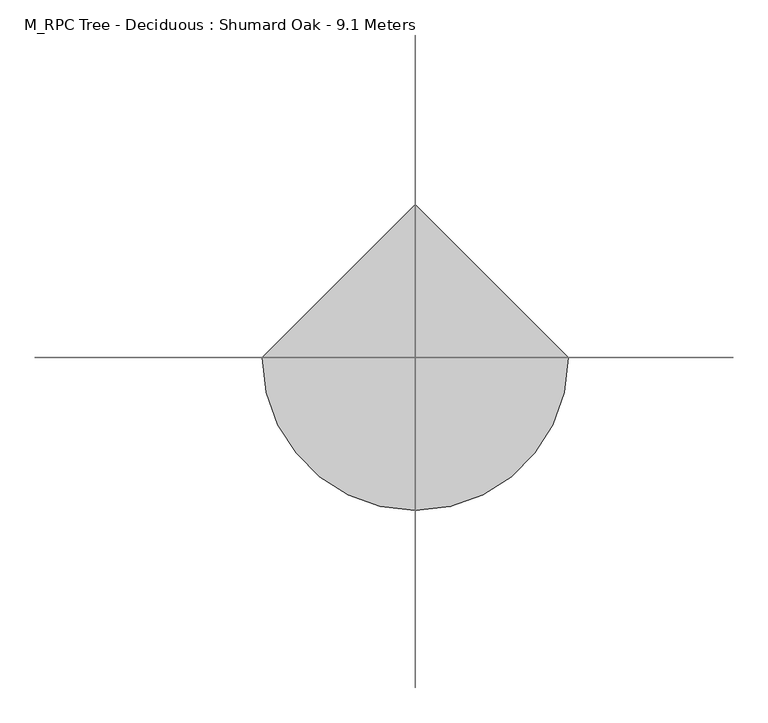
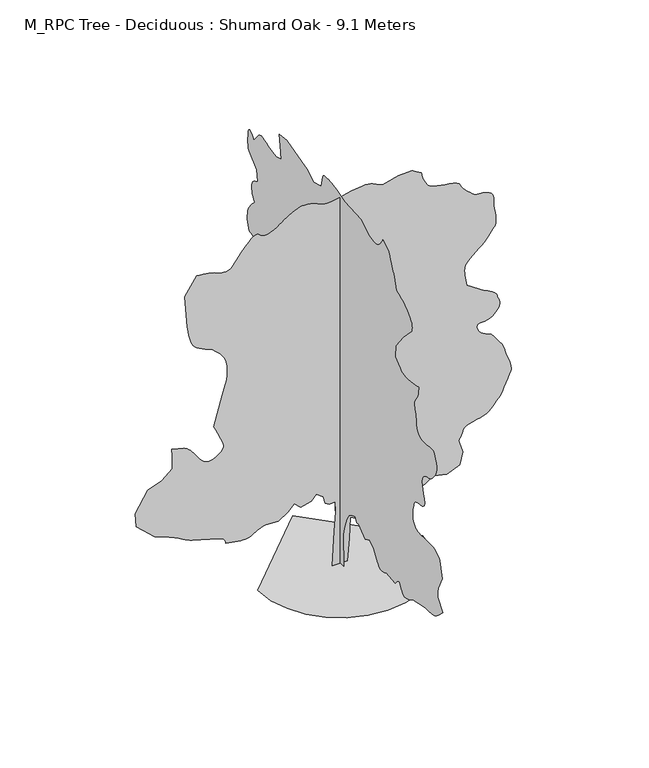
"""IFC4 building model written with IfcOpenShell, lengths in millimetres: geographic element geometry, M_RPC Tree - Deciduous : Shumard Oak - 9.1 Meters."""

from ifc_helpers import new_model, si_unit, origin, place, context, project, spatial, triangles, source, transform, mapped, element, save


def m_rpc_tree_deciduous_shumard_oak_9_1_meters_5c09a096(model_context):
    return source(origin(), model_context, "Body", "Tessellation", [
        triangles([(-0.0016876, 163.832478, 0.0085608), (-0.0016876, -150.8808976, 0.0085608), (-0.0016876, -123.5141451, 779.9515205), (-0.0016876, -178.2471505, 1012.5653744), (-0.0016876, -260.3461545, 1231.4963425), (-0.0016876, -356.128771, 1382.0105564), (-0.0016876, -465.5942914, 1450.4274559), (-0.0016876, -602.4255469, 1505.1588535), (-0.0016876, -657.1595243, 1382.0105564), (-0.0016876, -752.9421953, 1409.3763279), (-0.0016876, -862.4076794, 1299.9107712), (-0.0016876, -1012.9218206, 1204.1281002), (-0.0016876, -1190.8042042, 1286.2278854), (-0.0016876, -1355.0011585, 1176.7624014), (-0.0016876, -1464.4667152, 985.1971321), (-0.0016876, -1490.95536, 947.379019), (-0.0016876, -1518.0429508, 911.3556364), (-0.0016876, -1546.3262535, 878.9241858), (-0.0016876, -1576.4068302, 851.8769268), (-0.0016876, -1608.8788307, 832.0111336), (-0.0016876, -1644.3435265, 821.1189205), (-0.0016876, -1683.3976833, 821.0001051), (-0.0016876, -1720.8568794, 827.6608177), (-0.0016876, -1751.8549873, 835.7598146), (-0.0016876, -1777.4640347, 845.0544508), (-0.0016876, -1798.7681122, 855.307168), (-0.0016876, -1816.8392475, 866.2777193), (-0.0016876, -1832.7565899, 877.7285465), (-0.0016876, -1847.5972538, 889.4144611), (-0.0016876, -2203.3595501, 848.3658766), (-0.0016876, -2238.4248516, 888.8583904), (-0.0016876, -2272.772319, 925.9965305), (-0.0016876, -2305.6839729, 956.4360243), (-0.0016876, -2336.4419792, 976.8200272), (-0.0016876, -2364.326033, 983.8017958), (-0.0016876, -2388.6204803, 974.0293545), (-0.0016876, -2408.6076324, 944.1484749), (-0.0016876, -2428.6731228, 901.1838009), (-0.0016876, -2453.5264023, 856.783386), (-0.0016876, -2482.9269333, 814.5366188), (-0.0016876, -2516.6373756, 778.0354311), (-0.0016876, -2554.4225693, 750.8694294), (-0.0016876, -2596.0299133, 736.6279295), (-0.0016876, -2641.2265732, 738.9003925), (-0.0016876, -2686.5496788, 752.2242886), (-0.0016876, -2728.9909836, 768.4198116), (-0.0016876, -2769.0309814, 787.0116274), (-0.0016876, -2807.1751648, 807.5169165), (-0.0016876, -2843.8787384, 829.4580917), (-0.0016876, -2879.6216148, 852.3547319), (-0.0016876, -2914.8839973, 875.7316481), (-0.0016876, -3407.4725349, 971.5142464), (-0.0016876, -3468.9228539, 971.6356052), (-0.0016876, -3529.5136322, 972.4722548), (-0.0016876, -3588.4361984, 974.7472612), (-0.0016876, -3644.831012, 979.1734446), (-0.0016876, -3697.8891106, 986.4761965), (-0.0016876, -3746.7762428, 997.3658661), (-0.0016876, -3790.6081604, 1012.5653744), (-0.0016876, -3832.8471519, 1034.5444107), (-0.0016876, -3877.2604294, 1064.4252903), (-0.0016876, -3923.4427849, 1100.8885443), (-0.0016876, -3971.0916206, 1142.6146311), (-0.0016876, -4019.8017288, 1188.2915668), (-0.0016876, -4069.2199333, 1236.6025715), (-0.0016876, -4119.0171844, 1286.2278854), (-0.0016876, -3927.4367271, 1505.1588535), (-0.0016876, -3921.7492836, 1546.169577), (-0.0016876, -3916.9969574, 1586.9401989), (-0.0016876, -3914.1660255, 1627.2304722), (-0.0016876, -3914.1913147, 1666.8053822), (-0.0016876, -3918.0588112, 1705.4197403), (-0.0016876, -3926.7289215, 1742.8410027), (-0.0016876, -3941.1373444, 1778.8239807), (-0.0016876, -4091.6412392, 2093.5376198), (-0.0016876, -3995.8636551, 2476.6656876), (-0.0016876, -3988.3562645, 2487.2368446), (-0.0016876, -3966.0105354, 2514.3244354), (-0.0016876, -3929.0799408, 2550.9846977), (-0.0016876, -3877.7659218, 2590.2918915), (-0.0016876, -3812.3469498, 2625.276384), (-0.0016876, -3733.0506271, 2649.0121445), (-0.0016876, -3640.1039749, 2654.5478531), (-0.0016876, -3536.5408195, 2650.2507317), (-0.0016876, -3429.8685516, 2648.5572304), (-0.0016876, -3327.0132019, 2648.8098312), (-0.0016876, -3234.9513794, 2650.2507317), (-0.0016876, -3160.5841164, 2652.1465462), (-0.0016876, -3110.8880219, 2653.8400475), (-0.0016876, -3092.7638374, 2654.5478531), (-0.0016876, -3082.1470436, 2661.7773537), (-0.0016876, -3054.7966782, 2682.1514008), (-0.0016876, -3017.3603004, 2713.7991783), (-0.0016876, -2976.5872078, 2754.7490044), (-0.0016876, -2939.1758286, 2803.1562241), (-0.0016876, -2911.8254631, 2857.0482834), (-0.0016876, -2901.2086693, 2914.5302399), (-0.0016876, -2903.2056404, 2971.9613274), (-0.0016876, -2908.7919273, 3027.268998), (-0.0016876, -2917.3611717, 3080.7570122), (-0.0016876, -2928.331723, 3132.8291245), (-0.0016876, -2941.0969322, 3183.8143845), (-0.0016876, -2955.050441, 3234.0668404), (-0.0016876, -2969.6103081, 3283.9652481), (-0.0016876, -2981.5921349, 3298.5756935), (-0.0016876, -2994.9892822, 3312.8070923), (-0.0016876, -3011.2682304, 3326.3306854), (-0.0016876, -3031.8443001, 3338.7927155), (-0.0016876, -3058.1839714, 3349.7885559), (-0.0016876, -3091.7022743, 3359.0150276), (-0.0016876, -3133.8151108, 3366.0675041), (-0.0016876, -3184.7497925, 3370.3899147), (-0.0016876, -3239.7795731, 3375.4201309), (-0.0016876, -3292.8629608, 3386.8964653), (-0.0016876, -3338.0596207, 3410.5816475), (-0.0016876, -3369.3789299, 3452.2395699), (-0.0016876, -3380.8296844, 3517.5826744), (-0.0016876, -3366.4212616, 3612.3742722), (-0.0016876, -3336.9474792, 3719.5267433), (-0.0016876, -3309.8750038, 3817.8070816), (-0.0016876, -3289.2480652, 3906.78479), (-0.0016876, -3279.1370544, 3985.9296684), (-0.0016876, -3283.6617783, 4054.7862213), (-0.0016876, -3306.841468, 4112.8745361), (-0.0016876, -3352.7459335, 4159.6891205), (-0.0016876, -3409.0395905, 4192.4996178), (-0.0016876, -3461.2637283, 4212.5954842), (-0.0016876, -3510.3531738, 4225.7653198), (-0.0016876, -3557.3192024, 4237.7218575), (-0.0016876, -3603.071933, 4254.2534065), (-0.0016876, -3648.5973518, 4281.0479919), (-0.0016876, -3694.8305763, 4323.8936325), (-0.0016876, -3741.9483398, 4378.3926315), (-0.0016876, -3786.8921082, 4436.4809464), (-0.0016876, -3825.8705429, 4498.38647), (-0.0016876, -3855.0411461, 4564.3615128), (-0.0016876, -3870.5617104, 4634.6589661), (-0.0016876, -3868.5900284, 4709.5064323), (-0.0016876, -3845.3344711, 4789.131514), (-0.0016876, -3817.2507202, 4864.434185), (-0.0016876, -3798.2672859, 4925.8842133), (-0.0016876, -3780.7244614, 4972.9516891), (-0.0016876, -3756.9381226, 5005.1811172), (-0.0016876, -3719.2741425, 5022.091713), (-0.0016876, -3660.0733955, 5023.2038544), (-0.0016876, -3571.677047, 5008.0623367), (-0.0016876, -3466.799437, 4991.303476), (-0.0016876, -3365.9916367, 4987.9414719), (-0.0016876, -3273.3231651, 4998.0019043), (-0.0016876, -3192.8638321, 5021.4597748), (-0.0016876, -3128.6584488, 5058.3150833), (-0.0016876, -3084.8265312, 5108.592247), (-0.0016876, -3065.3878922, 5172.2418503), (-0.0016876, -3058.7400421, 5240.239444), (-0.0016876, -3050.651001, 5303.8884659), (-0.0016876, -3041.3489525, 5363.9737518), (-0.0016876, -3031.0859161, 5421.1778183), (-0.0016876, -3020.1153648, 5476.2325974), (-0.0016876, -3008.6646103, 5529.8467667), (-0.0016876, -2996.9862534, 5582.753421), (-0.0016876, -2985.6113663, 5620.8976044), (-0.0016876, -2976.4101837, 5659.1429443), (-0.0016876, -2971.4811241, 5697.6411758), (-0.0016876, -2973.0481796, 5736.4928741), (-0.0016876, -2983.2097687, 5775.8253571), (-0.0016876, -3004.1651756, 5815.7641983), (-0.0016876, -3038.0375267, 5856.4105545), (-0.0016876, -3074.2606064, 5906.2836731), (-0.0016876, -3101.6109718, 5968.8211349), (-0.0016876, -3121.3277916, 6036.6414139), (-0.0016876, -3134.573204, 6102.3129868), (-0.0016876, -3142.5610886, 6158.4049118), (-0.0016876, -3146.4538742, 6197.4839218), (-0.0016876, -3147.4904388, 6212.1702347), (-0.0016876, -3127.318705, 6207.6710907), (-0.0016876, -3073.1481743, 6196.2200455), (-0.0016876, -2994.5596573, 6180.9523727), (-0.0016876, -2901.1328018, 6164.9516052), (-0.0016876, -2802.4231293, 6151.3518539), (-0.0016876, -2708.0358673, 6143.2378143), (-0.0016876, -2627.525956, 6143.7685959), (-0.0016876, -2559.5539421, 6155.5986877), (-0.0016876, -2495.8918396, 6178.2223068), (-0.0016876, -2435.8141113, 6209.8197968), (-0.0016876, -2378.6078648, 6248.5959183), (-0.0016876, -2323.5554111, 6292.7560135), (-0.0016876, -2269.9412418, 6340.5060059), (-0.0016876, -2217.0422905, 6390.0506561), (-0.0016876, -2230.7251762, 6677.4081161), (-0.0016876, -2531.7483719, 7060.5440323), (-0.0016876, -2873.832724, 7416.3037125), (-0.0016876, -2879.1916992, 7460.4132294), (-0.0016876, -2881.4162727, 7505.3825775), (-0.0016876, -2877.4223305, 7552.0204285), (-0.0016876, -2864.1007599, 7601.1604523), (-0.0016876, -2838.3427391, 7653.6624802), (-0.0016876, -2797.0135757, 7710.3351837), (-0.0016876, -2737.0041573, 7772.0633926), (-0.0016876, -2666.6308365, 7831.3905853), (-0.0016876, -2596.257225, 7881.3648605), (-0.0016876, -2525.8914619, 7923.5785629), (-0.0016876, -2455.5207573, 7959.5490417), (-0.0016876, -2385.149762, 7990.8680603), (-0.0016876, -2314.778912, 8019.0779663), (-0.0016876, -2244.408062, 8045.7211075), (-0.0016876, -2223.8648392, 8115.8918243), (-0.0016876, -2203.2002575, 8184.8754044), (-0.0016876, -2182.2954288, 8251.4568054), (-0.0016876, -2161.0317558, 8314.4488907), (-0.0016876, -2139.2903503, 8372.6383621), (-0.0016876, -2116.9523243, 8424.8625), (-0.0016876, -2093.8939934, 8469.9074249), (-0.0016876, -2068.3230251, 8519.0224503), (-0.0016876, -2040.1180607, 8579.6135193), (-0.0016876, -2011.6754654, 8644.7543106), (-0.0016876, -1985.3865177, 8707.4935043), (-0.0016876, -1963.6451122, 8760.9309402), (-0.0016876, -1948.8448528, 8798.0641388), (-0.0016876, -1943.3773087, 8811.991777), (-0.0016876, -1710.7634548, 8948.8206345), (-0.0016876, -1698.8374386, 8925.2366089), (-0.0016876, -1685.7130943, 8900.944487), (-0.0016876, -1670.1925301, 8875.2117554), (-0.0016876, -1651.0851208, 8847.3303177), (-0.0016876, -1627.1900677, 8816.5670792), (-0.0016876, -1597.3090427, 8782.2145248), (-0.0016876, -1560.2493862, 8743.5651398), (-0.0016876, -1515.6087971, 8710.0974152), (-0.0016876, -1464.5071198, 8690.2794388), (-0.0016876, -1408.0188526, 8681.811351), (-0.0016876, -1347.2231449, 8682.4432892), (-0.0016876, -1283.194495, 8689.9003922), (-0.0016876, -1217.0121975, 8701.9072174), (-0.0016876, -1149.7530762, 8716.1894852), (-0.0016876, -848.7223228, 8921.4449799), (-0.0016876, -191.9302724, 8962.4959625), (-0.0016876, -107.0787747, 8985.8276779), (-0.0016876, -23.3040577, 9008.451297), (-0.0016876, 58.316385, 9029.633725), (-0.0016876, 136.7053639, 9048.6680283), (-0.0016876, 210.7859892, 9064.8205307), (-0.0016876, 279.4814509, 9077.3837173), (-0.0016876, 341.7128632, 9085.6494919), (-0.0016876, 403.0696558, 9091.9438751), (-0.0016876, 467.2954957, 9097.530162), (-0.0016876, 530.565798, 9100.0073364), (-0.0016876, 589.0485291, 9096.9738007), (-0.0016876, 638.9140537, 9086.0541183), (-0.0016876, 676.3327726, 9064.8205307), (-0.0016876, 697.4776302, 9030.9231812), (-0.0016876, 765.8919863, 8757.2404678), (-0.0016876, 1066.9227396, 8675.163501), (-0.0016876, 1340.5877941, 8839.3424332), (-0.0016876, 1682.6672047, 8921.4449799), (-0.0016876, 2134.2120266, 9058.2738373), (-0.0016876, 2435.2427799, 9017.2222733), (-0.0016876, 2407.8745377, 8757.2404678), (-0.0016876, 2353.14314, 8456.2320969), (-0.0016876, 2572.0665504, 8387.8054596), (-0.0016876, 2790.9973732, 8428.8564423), (-0.0016876, 2875.6529617, 8460.6556641), (-0.0016876, 2958.0331078, 8489.7004028), (-0.0016876, 3035.8635315, 8513.2338501), (-0.0016876, 3106.8687904, 8528.5015228), (-0.0016876, 3168.7996033, 8532.7733551), (-0.0016876, 3219.3296585, 8523.2692841), (-0.0016876, 3256.2352547, 8497.2580811), (-0.0016876, 3461.49104, 8250.9766022), (-0.0016876, 3508.1286003, 8305.5005997), (-0.0016876, 3553.0726593, 8352.972702), (-0.0016876, 3594.6797127, 8386.33927), (-0.0016876, 3631.2568405, 8398.4978302), (-0.0016876, 3661.1352493, 8382.4209045), (-0.0016876, 3682.6464363, 8331.0315994), (-0.0016876, 3694.0974815, 8237.2762756), (-0.0016876, 3697.5603516, 8133.1570496), (-0.0016876, 3696.7263908, 8052.7480042), (-0.0016876, 3692.302533, 7992.0563599), (-0.0016876, 3684.9974556, 7947.1881683), (-0.0016876, 3675.5433815, 7914.1500687), (-0.0016876, 3664.6486977, 7889.0236954), (-0.0016876, 3653.0462082, 7867.8412674), (-0.0016876, 3338.3378014, 7607.8588806), (-0.0016876, 3310.9618561, 7320.5264191), (-0.0016876, 3354.7176155, 7302.679834), (-0.0016876, 3397.1845001, 7283.418219), (-0.0016876, 3436.9968956, 7261.2748032), (-0.0016876, 3472.8409286, 7234.8345566), (-0.0016876, 3503.4521416, 7202.6307083), (-0.0016876, 3527.4660828, 7163.2476471), (-0.0016876, 3543.5680069, 7115.270343), (-0.0016876, 3549.7359444, 7062.4904251), (-0.0016876, 3545.8178696, 7009.7105072), (-0.0016876, 3533.5328636, 6956.9300079), (-0.0016876, 3514.5491386, 6904.15009), (-0.0016876, 3490.5351974, 6851.3701721), (-0.0016876, 3463.1595428, 6798.5902542), (-0.0016876, 3434.1153854, 6745.8103363), (-0.0016876, 3477.9217232, 6701.8269745), (-0.0016876, 3520.6412086, 6657.6918777), (-0.0016876, 3561.2119881, 6613.3294693), (-0.0016876, 3598.5472092, 6568.6130127), (-0.0016876, 3631.5853088, 6523.4157715), (-0.0016876, 3659.2394348, 6477.6127533), (-0.0016876, 3680.4221535, 6431.1016388), (-0.0016876, 3695.6139587, 6385.7782425), (-0.0016876, 3706.5089333, 6343.3372284), (-0.0016876, 3713.8140106, 6303.2972305), (-0.0016876, 3718.2375778, 6265.1530472), (-0.0016876, 3720.5127296, 6228.4494736), (-0.0016876, 3721.346981, 6192.7068878), (-0.0016876, 3721.4731361, 6157.443924), (-0.0016876, 3639.3708801, 5924.8377731), (-0.0016876, 3601.2772751, 5918.7207047), (-0.0016876, 3563.2848267, 5911.1880249), (-0.0016876, 3525.5449791, 5900.7735443), (-0.0016876, 3488.1591797, 5886.0616516), (-0.0016876, 3451.2788727, 5865.5867386), (-0.0016876, 3414.9546364, 5837.9326126), (-0.0016876, 3379.388784, 5801.6842438), (-0.0016876, 3346.9826225, 5758.63629), (-0.0016876, 3319.6319664, 5711.9990204), (-0.0016876, 3296.4522766, 5662.378212), (-0.0016876, 3276.6093018, 5610.3569687), (-0.0016876, 3259.2940796, 5556.5404861), (-0.0016876, 3243.6723587, 5501.535704), (-0.0016876, 3228.8596001, 5445.9245636), (-0.0016876, 3196.8324852, 5401.9162033), (-0.0016876, 3166.1201157, 5357.806105), (-0.0016876, 3138.0363647, 5313.4436966), (-0.0016876, 3113.8959778, 5268.7022415), (-0.0016876, 3095.0389893, 5223.5050003), (-0.0016876, 3082.7286942, 5177.7269806), (-0.0016876, 3078.3554146, 5131.2158661), (-0.0016876, 3092.0307426, 4761.7558594), (-0.0016876, 3124.0578575, 4758.5203011), (-0.0016876, 3154.7955162, 4753.4897942), (-0.0016876, 3182.8792671, 4744.8955513), (-0.0016876, 3206.9943649, 4730.8914642), (-0.0016876, 3225.8766426, 4709.7087456), (-0.0016876, 3238.1616486, 4679.5271576), (-0.0016876, 3242.5602173, 4638.60233), (-0.0016876, 3241.3466286, 4591.3075424), (-0.0016876, 3238.0102043, 4543.2543709), (-0.0016876, 3232.8535423, 4494.6451286), (-0.0016876, 3226.2812691, 4445.530394), (-0.0016876, 3218.6221436, 4396.0619019), (-0.0016876, 3210.2299232, 4346.3658073), (-0.0016876, 3201.5089439, 4296.5179779), (-0.0016876, 3187.8083267, 4022.8605537), (-0.0016876, 3447.7904228, 4036.5608803), (-0.0016876, 3735.1484642, 4091.2874817), (-0.0016876, 3796.2956039, 4070.5849663), (-0.0016876, 3854.9399895, 4048.7955986), (-0.0016876, 3908.5541588, 4024.8575249), (-0.0016876, 3954.6356483, 3997.6838928), (-0.0016876, 3990.6564148, 3966.2128487), (-0.0016876, 4014.1142853, 3929.3578308), (-0.0016876, 4022.4812164, 3886.0316963), (-0.0016876, 4020.1051987, 3831.1536507), (-0.0016876, 4013.4064796, 3761.8924713), (-0.0016876, 4003.0931557, 3680.6747543), (-0.0016876, 3989.9486092, 3589.8770988), (-0.0016876, 3974.6303581, 3491.9002304), (-0.0016876, 3957.8712067, 3389.1207481), (-0.0016876, 3940.4042496, 3283.9652481), (-0.0016876, 3817.2507202, 2955.5812225), (-0.0016876, 3749.986512, 2917.841375), (-0.0016876, 3683.8094467, 2882.3766792), (-0.0016876, 3619.7807968, 2851.4619965), (-0.0016876, 3558.9877052, 2827.3721878), (-0.0016876, 3502.4917351, 2812.3571159), (-0.0016876, 3451.3800293, 2808.742511), (-0.0016876, 3406.7394402, 2818.7526558), (-0.0016876, 3023.6291039, 2982.9318787), (-0.0016876, 2640.4934784, 2859.8036385), (-0.0016876, 2366.8258804, 2668.2231812), (-0.0016876, 2093.1635147, 2257.7345741), (-0.0016876, 2066.6748699, 2216.9235477), (-0.0016876, 2039.5871338, 2177.5508057), (-0.0016876, 2011.3013603, 2141.0496906), (-0.0016876, 1981.2232544, 2108.8558708), (-0.0016876, 1948.7513992, 2082.4077759), (-0.0016876, 1913.2867035, 2063.1384579), (-0.0016876, 1874.2324013, 2052.4864918), (-0.0016876, 1835.2565826, 2048.9374352), (-0.0016876, 1798.6745132, 2049.2154705), (-0.0016876, 1761.8523422, 2052.1275021), (-0.0016876, 1722.1611603, 2056.4752018), (-0.0016876, 1676.9620296, 2061.0631485), (-0.0016876, 1623.6258957, 2064.6930141), (-0.0016876, 1559.5187622, 2066.1692322), (-0.0016876, 1490.7430183, 2060.9848103), (-0.0016876, 1424.841227, 2046.4627316), (-0.0016876, 1361.330714, 2024.1626392), (-0.0016876, 1299.7363632, 1995.6392349), (-0.0016876, 1239.5776806, 1962.4494003), (-0.0016876, 1180.377079, 1926.1479824), (-0.0016876, 1121.6567533, 1888.2893921), (-0.0016876, 1039.5570408, 1655.6755383), (-0.0016876, 806.9431143, 1395.6934422), (-0.0016876, 774.8277054, 1360.9060307), (-0.0016876, 737.6895653, 1326.8392147), (-0.0016876, 696.3603292, 1293.368874), (-0.0016876, 651.6793356, 1260.3788818), (-0.0016876, 604.4856683, 1227.745118), (-0.0016876, 555.6186293, 1195.3542171), (-0.0016876, 505.912361, 1163.0795156), (-0.0016876, 423.8126121, 1450.4274559), (-0.0016876, 286.9813747, 1641.9901817), (-0.0016876, 232.2486145, 1518.8417393), (-0.0016876, 191.1987401, 1327.2790134), (-0.0016876, 177.5158725, 985.1971321), (-0.0016876, 150.1493652, 506.2865024), (169.54274, 0.0004339, 0.0216695), (-186.21952, 0.0004339, 0.0216695), (-131.4872685, 0.0003851, 821.0127497), (-104.1207703, 0.0003564, 1299.9234158), (-117.8038922, 0.0003417, 1546.2226261), (-254.6358926, 0.0003425, 1532.5397404), (-350.4185454, 0.0003394, 1587.2712833), (-391.46713, 0.0003287, 1765.1537395), (-555.6666641, 0.0003221, 1874.6191509), (-665.1321482, 0.0003294, 1751.4708538), (-911.4288877, 0.0003336, 1683.0539543), (-1061.9455725, 0.0003255, 1819.8851372), (-1212.4597137, 0.0003344, 1669.3710686), (-1431.3906818, 0.0003425, 1532.5397404), (-1759.7872066, 0.0003417, 1546.2226261), (-1923.984161, 0.0003459, 1477.8057266), (-1959.2517757, 0.0003475, 1451.5952625), (-1994.9946522, 0.000349, 1426.464093), (-2031.6954643, 0.0003503, 1403.4865711), (-2069.8345608, 0.0003514, 1383.7395206), (-2109.8872032, 0.0003524, 1368.2999107), (-2152.3311241, 0.000353, 1358.2468906), (-2197.6492882, 0.0003532, 1354.6574295), (-2248.1541996, 0.0003532, 1356.2523903), (-2305.1203445, 0.000353, 1360.7215942), (-2367.4704632, 0.0003524, 1367.5819313), (-2434.1331093, 0.0003519, 1376.3584305), (-2504.0236107, 0.0003514, 1386.5705978), (-2576.0604927, 0.0003506, 1397.7408463), (-2649.1891685, 0.0003501, 1409.3914433), (-2652.5761711, 0.0003483, 1438.632827), (-2658.7188194, 0.0003464, 1467.3938622), (-2670.3718872, 0.0003449, 1495.1994324), (-2690.2907295, 0.0003433, 1521.5691891), (-2721.2054123, 0.0003417, 1546.022929), (-2765.8712906, 0.0003404, 1568.0829197), (-2827.0690086, 0.0003394, 1587.2712833), (-3429.1354568, 0.0003287, 1765.1537395), (-3478.2754807, 0.0003279, 1780.7500259), (-3530.7775085, 0.0003266, 1802.8124874), (-3584.9477486, 0.000325, 1829.4200203), (-3639.1182793, 0.0003232, 1858.6612587), (-3691.6203072, 0.0003213, 1888.6206219), (-3740.7856201, 0.0003198, 1917.3841278), (-3784.895137, 0.0003182, 1943.0335796), (-3832.3416595, 0.0003166, 1967.6870167), (-3891.2642258, 0.0003151, 1994.4965721), (-3959.741732, 0.0003132, 2023.09846), (-4035.903653, 0.0003117, 2053.1386322), (-4117.8038864, 0.0003098, 2084.2556282), (-4203.5207474, 0.0003078, 2116.0878422), (-4291.1842918, 0.0003059, 2148.281662), (-4715.3456108, 0.0002822, 2545.0952316), (-4742.7215561, 0.0002626, 2873.4789665), (-4455.3635147, 0.0002349, 3338.716848), (-4126.9797798, 0.0002276, 3461.8703773), (-3880.6727211, 0.0002153, 3667.125872), (-3880.6727211, 0.0001967, 3981.8345695), (-3894.3733383, 0.0001868, 4146.0390816), (-3607.0152969, 0.000191, 4077.6121536), (-3574.6597137, 0.0001923, 4056.7579033), (-3541.7227707, 0.0001936, 4033.8563942), (-3507.5725296, 0.0001952, 4006.8847847), (-3471.6276306, 0.000197, 3973.8213959), (-3433.281134, 0.0001996, 3932.5933891), (-3391.9519707, 0.0002027, 3881.2290825), (-3347.0332008, 0.0002064, 3817.6300575), (-3301.507782, 0.0002103, 3750.8207634), (-3257.6761551, 0.000214, 3691.8981972), (-3213.8445282, 0.0002168, 3642.0756569), (-3168.3191093, 0.0002192, 3602.5411514), (-3119.4572662, 0.000221, 3574.4829803), (-3065.5649162, 0.0002218, 3559.1391495), (-3004.9488487, 0.0002218, 3557.6479614), (-2938.6956253, 0.000221, 3572.8144775), (-2871.9621986, 0.0002192, 3603.5271378), (-2809.2732925, 0.0002166, 3645.2606369), (-2755.2294983, 0.0002137, 3693.4402542), (-2714.3299599, 0.0002108, 3743.5406845), (-2691.1502701, 0.000208, 3791.0124962), (-2690.2401512, 0.0002056, 3831.3053856), (-2706.3673645, 0.000203, 3874.8841209), (-2730.3813057, 0.0001996, 3933.5287971), (-2760.9675201, 0.0001952, 4004.7363693), (-2796.8365517, 0.0001905, 4085.9790848), (-2836.6492378, 0.0001852, 4174.7800598), (-2879.0905426, 0.0001795, 4268.6112511), (-2922.8465927, 0.0001737, 4364.970195), (-2731.2914246, 0.0001322, 5062.7892288), (-2705.078199, 0.0001275, 5141.7820816), (-2679.9521164, 0.0001228, 5219.6883728), (-2656.9747398, 0.0001183, 5295.4459579), (-2637.2326309, 0.0001139, 5367.9932739), (-2621.7879341, 0.00011, 5436.1925995), (-2611.7275017, 0.0001061, 5499.0335312), (-2608.1378952, 0.0001029, 5555.4027649), (-2609.0733032, 9.95e-05, 5610.407547), (-2612.1318375, 9.61e-05, 5668.7737518), (-2617.8445702, 9.25e-05, 5728.8084595), (-2626.6664154, 8.88e-05, 5788.8431671), (-2639.052578, 8.54e-05, 5847.2099533), (-2655.5338394, 8.2e-05, 5902.2141541), (-2676.5648232, 7.92e-05, 5952.2134277), (-2703.6123001, 7.63e-05, 5998.7245422), (-2737.130603, 7.37e-05, 6044.5281418), (-2776.0078812, 7.11e-05, 6089.7248016), (-2819.2075699, 6.82e-05, 6134.4412582), (-2865.6428169, 6.56e-05, 6178.8036667), (-2914.2520592, 6.3e-05, 6222.913765), (-2963.8975754, 6.03e-05, 6266.9221252), (-3042.7389839, 5.85e-05, 6299.2271301), (-3119.5331337, 5.64e-05, 6331.9111816), (-3192.2571831, 5.46e-05, 6365.3033295), (-3258.864164, 5.25e-05, 6399.7570404), (-3317.3571053, 5.04e-05, 6435.6769409), (-3365.6628777, 4.81e-05, 6473.3659195), (-3401.7598022, 4.57e-05, 6513.229184), (-3430.1720215, 4.26e-05, 6566.36315), (-3456.4355347, 3.84e-05, 6638.4046829), (-3480.0451401, 3.34e-05, 6721.4676361), (-3500.5453423, 2.82e-05, 6807.6397018), (-3517.4562286, 2.33e-05, 6889.0085724), (-3530.2973053, 1.93e-05, 6957.713681), (-3538.6136581, 1.65e-05, 7005.8177216), (-3593.3399689, -2.93e-05, 7772.0633926), (-3319.6572556, -5.46e-05, 8196.2502914), (-3246.5538689, -5.41e-05, 8187.3525787), (-3174.512336, -5.36e-05, 8177.8729248), (-3104.6192184, -5.28e-05, 8167.1805542), (-3037.9363701, -5.2e-05, 8154.6935257), (-2975.6012215, -5.12e-05, 8139.8048996), (-2918.6250481, -5.02e-05, 8121.933316), (-2868.1199913, -4.89e-05, 8100.4724167), (-2816.7809738, -4.75e-05, 8079.7196136), (-2758.970549, -4.68e-05, 8065.2100342), (-2698.3039032, -4.62e-05, 8058.1069794), (-2638.3447723, -4.65e-05, 8059.6237473), (-2582.6830536, -4.7e-05, 8070.948056), (-2534.9333519, -4.83e-05, 8093.2937851), (-2498.6774254, -5.04e-05, 8127.8230728), (-2279.7464573, -6.77e-05, 8415.1811142), (-2221.2636898, -7.16e-05, 8482.1165634), (-2163.7390034, -7.55e-05, 8546.0696365), (-2108.130479, -7.89e-05, 8604.0317963), (-2055.3908203, -8.18e-05, 8653.0200851), (-2006.4833405, -8.41e-05, 8690.0521271), (-1962.3608883, -8.54e-05, 8712.0943863), (-1923.984161, -8.57e-05, 8716.2144836), (-1893.107412, -8.49e-05, 8705.9261581), (-1867.9762424, -8.39e-05, 8689.1672974), (-1844.2807411, -8.28e-05, 8669.5266357), (-1817.7112873, -8.18e-05, 8650.6184875), (-1783.9629112, -8.07e-05, 8636.0333313), (-1738.7232307, -8.05e-05, 8629.334903), (-1677.6874214, -8.07e-05, 8634.111937), (-1604.7635296, -8.2e-05, 8654.8653214), (-1529.9260918, -8.39e-05, 8689.4957657), (-1457.9576649, -8.65e-05, 8731.7600464), (-1393.6509796, -8.91e-05, 8775.491098), (-1341.7910637, -9.14e-05, 8814.4189545), (-1307.1629448, -9.3e-05, 8842.3509705), (-1294.5568829, -9.38e-05, 8853.0433411), (-1279.1197437, -9.43e-05, 8862.9270401), (-1238.0710865, -9.59e-05, 8888.6341919), (-1179.3078856, -9.8e-05, 8924.1244675), (-1110.7316935, -0.0001003, 8963.456369), (-1040.242028, -0.0001024, 9000.6401459), (-975.7356457, -0.0001042, 9029.6843033), (-925.1117735, -0.000105, 9044.5985092), (-877.0814203, -0.0001053, 9047.909935), (-817.3222046, -0.0001053, 9045.9635422), (-749.1858839, -0.0001048, 9038.5064392), (-676.0218178, -0.000104, 9025.3113144), (-601.18438, -0.0001029, 9006.1252762), (-528.0203502, -0.0001014, 8980.6960144), (-459.8840295, -9.95e-05, 8948.8206345), (-387.3999364, -9.8e-05, 8922.8100128), (-300.5530209, -9.74e-05, 8913.3309402), (-201.738322, -9.74e-05, 8917.6027725), (-93.349898, -9.85e-05, 8932.8704453), (22.2192106, -9.98e-05, 8956.4038925), (142.5753726, -0.0001016, 8985.4480499), (265.3258833, -0.0001035, 9017.2478531), (350.0570486, -0.0001042, 9028.7238968), (432.9935197, -0.0001048, 9038.7843292), (512.3405296, -0.0001053, 9045.9635422), (586.3008408, -0.0001053, 9048.8447617), (653.0822296, -0.0001053, 9045.9635422), (710.8874949, -0.0001045, 9035.9025284), (757.9193624, -0.0001035, 9017.2478531), (797.3729862, -0.0001022, 8995.3823273), (833.9549829, -0.0001011, 8976.3986023), (868.1432304, -0.0001001, 8959.7914764), (900.4153885, -9.93e-05, 8945.1051636), (931.2542765, -9.85e-05, 8931.8844589), (961.1326853, -9.77e-05, 8919.5741638), (990.533289, -9.69e-05, 8907.7696518), (1346.2955853, -0.0001027, 9003.5469452), (1661.0092243, -0.0001035, 9017.2478531), (1879.9426632, -9.61e-05, 8894.0943237), (1883.0923256, -9.43e-05, 8861.7137421), (1887.5613842, -9.22e-05, 8828.4733292), (1894.6619682, -9.01e-05, 8793.5644135), (1905.7134739, -8.8e-05, 8756.1533249), (1922.0277397, -8.54e-05, 8715.3802322), (1944.9269234, -8.28e-05, 8670.4108841), (1975.7228634, -7.99e-05, 8620.4366089), (2006.6805668, -7.71e-05, 8574.684169), (2032.3702778, -7.52e-05, 8540.8873947), (2057.5824017, -7.37e-05, 8515.963916), (2087.1042915, -7.24e-05, 8496.7528793), (2125.718795, -7.16e-05, 8480.1957504), (2178.2182068, -7.05e-05, 8463.1839981), (2249.3878452, -6.92e-05, 8442.5567688), (2337.1118511, -6.82e-05, 8422.6887955), (2431.7772938, -6.71e-05, 8407.5978561), (2526.9204689, -6.64e-05, 8393.7202148), (2616.0752014, -6.53e-05, 8377.4415573), (2692.7931931, -6.4e-05, 8355.171405), (2750.6036179, -6.22e-05, 8323.3471848), (2783.0350685, -5.96e-05, 8278.3522568), (2806.9984314, -5.64e-05, 8225.9769653), (2842.4631271, -5.33e-05, 8174.3091888), (2887.5080521, -5.02e-05, 8123.2477707), (2940.2123932, -4.73e-05, 8072.6671371), (2998.6547562, -4.42e-05, 8022.4399704), (3060.9137466, -4.13e-05, 7972.4656952), (3125.1194206, -3.81e-05, 7922.5925766), (3215.3865852, -3.76e-05, 7913.3408157), (3301.9629868, -3.71e-05, 7901.3339905), (3381.1075745, -3.61e-05, 7883.8164551), (3449.1301666, -3.45e-05, 7858.0331451), (3502.2894218, -3.21e-05, 7821.2539948), (3536.9201569, -2.93e-05, 7770.7239395), (3549.2810303, -2.53e-05, 7703.6617538), (3550.0897018, -2.12e-05, 7633.7939255), (3552.3142754, -1.75e-05, 7575.4527191), (3555.7521469, -1.46e-05, 7526.6411636), (3560.150425, -1.23e-05, 7485.5146042), (3565.2565086, -1.02e-05, 7450.1504837), (3570.8427956, -8.1e-06, 7418.5785736), (3576.6566849, -6.5e-06, 7388.9530563), (3588.1077301, -2.4e-06, 7318.807338), (3597.8899818, 1.8e-06, 7250.1272278), (3604.3105202, 5.7e-06, 7184.30392), (3605.7008423, 9.4e-06, 7122.7780243), (3600.3927361, 1.28e-05, 7067.0151489), (3586.717408, 1.57e-05, 7018.4309052), (3562.9813568, 1.8e-05, 6978.4414856), (3532.6986122, 2.04e-05, 6940.1205688), (3500.0145607, 2.3e-05, 6896.2633621), (3464.2463951, 2.59e-05, 6848.1093246), (3424.6360222, 2.87e-05, 6796.8461746), (3380.4756363, 3.19e-05, 6743.6866287), (3331.0324333, 3.53e-05, 6689.7945694), (3275.6233154, 3.84e-05, 6636.3571335), (3211.2914864, 4.18e-05, 6581.2767746), (3139.5025543, 4.52e-05, 6522.3542084), (3066.298011, 4.89e-05, 6460.8027328), (2997.6434807, 5.25e-05, 6397.8106476), (2939.5298767, 5.64e-05, 6334.5906693), (2897.9225327, 6.01e-05, 6272.3066803), (2878.8126526, 6.37e-05, 6212.1958145), (2875.7538277, 6.71e-05, 6152.7424667), (2877.7002205, 7.08e-05, 6091.8735077), (2883.8428688, 7.45e-05, 6029.7912506), (2893.3472305, 7.84e-05, 5966.7735855), (2905.3543465, 8.2e-05, 5903.0228256), (2919.0296745, 8.6e-05, 5838.7924438), (2933.5389633, 8.99e-05, 5774.3335876), (3344.0505341, 0.0001061, 5500.6508743), (3359.950145, 0.0001066, 5493.5733994), (3401.0014183, 0.0001076, 5474.0083145), (3457.1433403, 0.0001095, 5444.6606873), (3518.2901894, 0.0001116, 5408.1088486), (3574.432402, 0.0001142, 5367.0328674), (3615.4833847, 0.0001165, 5324.0099121), (3631.3832863, 0.0001191, 5281.7200516), (3639.9269508, 0.0001215, 5241.8062088), (3659.4667465, 0.0001238, 5201.8673676), (3680.9276459, 0.0001264, 5158.5921021), (3695.209623, 0.0001296, 5108.592247), (3693.2126518, 0.000133, 5048.5575394), (3665.8619957, 0.0001374, 4975.1253937), (3604.0326302, 0.0001429, 4884.9093887), (3518.7453941, 0.0001473, 4808.1658173), (3431.0565605, 0.0001497, 4768.504866), (3346.9573334, 0.0001507, 4752.8072777), (3272.4383354, 0.000151, 4747.8529289), (3213.4654816, 0.0001515, 4740.4969826), (3176.0541023, 0.0001528, 4717.6207626), (3166.170694, 0.000156, 4665.9782753), (3180.4020927, 0.0001596, 4601.5955772), (3209.7241402, 0.0001628, 4547.9814079), (3251.6096649, 0.0001656, 4503.3408188), (3303.5553314, 0.0001677, 4465.8791519), (3363.0339684, 0.0001696, 4433.8014587), (3427.5431122, 0.0001714, 4405.3386612), (3494.5544289, 0.000173, 4378.6455231), (3561.5407471, 0.0001779, 4293.9143578), (3625.7714195, 0.0001829, 4210.9778503), (3684.4919632, 0.0001876, 4131.6309494), (3734.9464417, 0.000192, 4057.6680222), (3774.4050797, 0.0001962, 3990.8840172), (3800.087233, 0.0001996, 3933.0735924), (3809.2631264, 0.0002022, 3886.0569855), (3820.4357002, 0.0002056, 3829.7886177), (3848.3677162, 0.0002106, 3749.379863), (3884.6666634, 0.0002161, 3654.108062), (3920.9656105, 0.0002221, 3553.3505493), (3948.8976265, 0.0002278, 3456.4102455), (3960.070491, 0.000233, 3372.6397774), (3946.0916931, 0.0002367, 3311.3409027), (3913.6602425, 0.0002401, 3250.8259918), (3875.9712639, 0.0002451, 3169.026915), (3834.4397873, 0.0002508, 3074.7408096), (3790.5322929, 0.0002566, 2976.890387), (3745.6388123, 0.000262, 2884.2977829), (3701.2511147, 0.0002667, 2805.8357117), (3658.7589409, 0.0002701, 2750.3507263), (3617.5562233, 0.0002727, 2706.3926537), (3575.3928085, 0.0002756, 2658.3394821), (3531.3082901, 0.0002785, 2608.87099), (3484.3422615, 0.0002814, 2560.6157959), (3433.559024, 0.000284, 2516.1722878), (3377.9984619, 0.0002863, 2478.1949547), (3316.6745888, 0.0002879, 2449.3124153), (3244.2031403, 0.0002892, 2427.889595), (3160.685273, 0.0002905, 2408.6227478), (3073.6033791, 0.0002916, 2388.6355957), (2990.3634018, 0.0002929, 2365.0589825), (2918.3471581, 0.0002947, 2335.0214264), (2865.0108788, 0.000297, 2295.6462135), (2837.7613792, 0.0003002, 2244.064333), (2823.176223, 0.0003033, 2192.3637096), (2804.7232796, 0.0003057, 2152.1517746), (2785.3352188, 0.0003075, 2119.8390667), (2767.8682617, 0.0003093, 2091.8337994), (2755.17892, 0.0003109, 2064.5465115), (2750.1487038, 0.0003127, 2034.3874512), (2755.6591232, 0.0003148, 1997.7675934), (2837.7613792, 0.0003305, 1737.7879681), (2769.3597404, 0.0003483, 1436.7572147), (2468.3188133, 0.0003556, 1313.6087723), (2167.28806, 0.0003516, 1382.023201), (1866.2573067, 0.0003629, 1190.4604025), (1647.3263386, 0.0003556, 1313.6087723), (1332.6126995, 0.0003475, 1450.4401005), (1311.9885223, 0.0003483, 1438.4305138), (1290.7652538, 0.000349, 1424.747628), (1268.3464188, 0.0003501, 1407.7155281), (1244.1303097, 0.0003514, 1385.6530666), (1217.5228495, 0.000353, 1356.8920315), (1187.9225487, 0.0003553, 1319.7512753), (1154.7327868, 0.0003582, 1272.5576443), (1119.9454479, 0.0003611, 1222.9702641), (1085.8785593, 0.0003637, 1179.1283907), (1052.4082912, 0.000366, 1140.0741611), (1019.415683, 0.0003681, 1104.849567), (986.7845352, 0.0003699, 1072.4965273), (954.391091, 0.0003718, 1042.0595043), (922.1189329, 0.0003736, 1012.578019), (963.1675175, 0.0003908, 725.2301514), (939.5909042, 0.0003914, 716.5724676), (915.2964569, 0.0003916, 708.7540495), (889.5661234, 0.0003921, 702.6115465), (861.6796715, 0.0003924, 698.9816809), (830.9242086, 0.0003924, 698.7036455), (796.5767412, 0.0003921, 702.6115465), (757.9193624, 0.0003916, 711.5472656), (717.6670229, 0.0003906, 726.4661951), (678.8529676, 0.0003895, 747.1308495), (641.2345516, 0.000388, 772.5830023), (604.5716369, 0.0003861, 801.8648632), (568.629136, 0.0003843, 834.0182058), (533.1643676, 0.0003822, 868.0850945), (497.9397735, 0.0003801, 903.1125349), (237.9583677, 0.000372, 1039.9437904), (210.5928688, 0.0004021, 533.6648821), (-1907.5334209, 0.0, 0.0), (-1857.1042316, -437.0809155, 0.0), (-1713.4833469, -838.4696056, 0.0), (-1488.1696289, -1192.6646284, 0.0), (-1192.6646284, -1488.1696289, 0.0), (-838.4696056, -1713.4833469, 0.0), (-437.0809155, -1857.1042316, 0.0), (8.34e-05, -1907.5334209, 0.0), (437.0809155, -1857.1042316, 0.0), (838.4696056, -1713.4833469, 0.0), (1192.6646284, -1488.1696289, 0.0), (1488.1696289, -1192.6646284, 0.0), (1713.4833469, -838.4696056, 0.0), (1857.1042316, -437.0809155, 0.0), (1907.5334209, 0.0001667, 0.0), (-0.0002501, 1907.5334209, 0.0)], [[407, 408, 409], [173, 174, 175], [406, 407, 409], [219, 220, 221], [1, 2, 3], [414, 1, 3], [413, 414, 3], [413, 3, 4], [412, 413, 4], [412, 4, 5], [255, 256, 257], [219, 221, 222], [65, 66, 67], [405, 406, 409], [8, 9, 10], [219, 222, 223], [404, 405, 409], [64, 65, 67], [412, 5, 6], [411, 412, 6], [403, 404, 409], [219, 223, 224], [172, 173, 175], [172, 175, 176], [171, 172, 176], [171, 176, 177], [170, 171, 177], [254, 255, 257], [254, 257, 258], [402, 403, 409], [63, 64, 67], [218, 219, 224], [401, 402, 409], [218, 224, 225], [217, 218, 225], [312, 313, 314], [216, 217, 225], [216, 225, 226], [170, 177, 178], [169, 170, 178], [168, 169, 178], [167, 168, 178], [167, 178, 179], [166, 167, 179], [166, 179, 180], [165, 166, 180], [11, 12, 13], [216, 226, 227], [215, 216, 227], [400, 401, 409], [400, 409, 410], [399, 400, 410], [29, 30, 31], [62, 63, 67], [214, 215, 227], [214, 227, 228], [410, 411, 6], [410, 6, 7], [165, 180, 181], [164, 165, 181], [312, 314, 315], [61, 62, 67], [213, 214, 228], [60, 61, 67], [59, 60, 67], [58, 59, 67], [57, 58, 67], [56, 57, 67], [55, 56, 67], [54, 55, 67], [53, 54, 67], [52, 53, 67], [52, 67, 68], [52, 68, 69], [253, 254, 258], [252, 253, 258], [29, 31, 32], [271, 272, 273], [271, 273, 274], [270, 271, 274], [270, 274, 275], [269, 270, 275], [268, 269, 275], [268, 275, 276], [268, 276, 277], [268, 277, 278], [268, 278, 279], [268, 279, 280], [268, 280, 281], [268, 281, 282], [268, 282, 283], [267, 268, 283], [266, 267, 283], [265, 266, 283], [264, 265, 283], [263, 264, 283], [262, 263, 283], [261, 262, 283], [260, 261, 283], [259, 260, 283], [259, 283, 284], [52, 69, 70], [212, 213, 228], [212, 228, 229], [211, 212, 229], [210, 211, 229], [209, 210, 229], [208, 209, 229], [10, 11, 13], [163, 164, 181], [163, 181, 182], [312, 315, 316], [51, 52, 70], [51, 70, 71], [51, 71, 72], [207, 208, 229], [207, 229, 230], [206, 207, 230], [366, 367, 368], [74, 75, 76], [74, 76, 77], [74, 77, 78], [74, 78, 79], [74, 79, 80], [74, 80, 81], [74, 81, 82], [74, 82, 83], [74, 83, 84], [74, 84, 85], [74, 85, 86], [73, 74, 86], [73, 86, 87], [73, 87, 88], [72, 73, 88], [51, 72, 88], [51, 88, 89], [51, 89, 90], [51, 90, 91], [51, 91, 92], [51, 92, 93], [50, 51, 93], [49, 50, 93], [48, 49, 93], [47, 48, 93], [46, 47, 93], [45, 46, 93], [44, 45, 93], [43, 44, 93], [42, 43, 93], [41, 42, 93], [40, 41, 93], [39, 40, 93], [38, 39, 93], [37, 38, 93], [36, 37, 93], [35, 36, 93], [35, 93, 94], [34, 35, 94], [34, 94, 95], [34, 95, 96], [33, 34, 96], [205, 206, 230], [258, 259, 284], [252, 258, 284], [29, 32, 33], [29, 33, 96], [29, 96, 97], [311, 312, 316], [190, 191, 192], [190, 192, 193], [190, 193, 194], [190, 194, 195], [190, 195, 196], [190, 196, 197], [190, 197, 198], [190, 198, 199], [190, 199, 200], [190, 200, 201], [190, 201, 202], [190, 202, 203], [190, 203, 204], [190, 204, 205], [189, 190, 205], [189, 205, 230], [189, 230, 231], [189, 231, 232], [189, 232, 233], [189, 233, 234], [410, 7, 8], [310, 311, 316], [310, 316, 317], [309, 310, 317], [308, 309, 317], [307, 308, 317], [306, 307, 317], [305, 306, 317], [304, 305, 317], [303, 304, 317], [302, 303, 317], [302, 317, 318], [301, 302, 318], [300, 301, 318], [299, 300, 318], [299, 318, 319], [298, 299, 319], [298, 319, 320], [162, 163, 182], [366, 368, 369], [298, 320, 321], [366, 369, 370], [366, 370, 371], [366, 371, 372], [366, 372, 373], [366, 373, 374], [366, 374, 375], [365, 366, 375], [364, 365, 375], [363, 364, 375], [362, 363, 375], [361, 362, 375], [360, 361, 375], [359, 360, 375], [358, 359, 375], [357, 358, 375], [356, 357, 375], [355, 356, 375], [354, 355, 375], [353, 354, 375], [352, 353, 375], [351, 352, 375], [350, 351, 375], [350, 375, 376], [234, 235, 236], [189, 234, 236], [188, 189, 236], [188, 236, 237], [188, 237, 238], [188, 238, 239], [188, 239, 240], [188, 240, 241], [188, 241, 242], [188, 242, 243], [188, 243, 244], [188, 244, 245], [188, 245, 246], [188, 246, 247], [188, 247, 248], [188, 248, 249], [188, 249, 250], [188, 250, 251], [188, 251, 252], [188, 252, 284], [187, 188, 284], [187, 284, 285], [187, 285, 286], [187, 286, 287], [187, 287, 288], [187, 288, 289], [187, 289, 290], [187, 290, 291], [187, 291, 292], [187, 292, 293], [187, 293, 294], [187, 294, 295], [187, 295, 296], [187, 296, 297], [187, 297, 298], [187, 298, 321], [187, 321, 322], [187, 322, 323], [187, 323, 324], [187, 324, 325], [187, 325, 326], [187, 326, 327], [187, 327, 328], [187, 328, 329], [187, 329, 330], [187, 330, 331], [187, 331, 332], [187, 332, 333], [187, 333, 334], [187, 334, 335], [186, 187, 335], [185, 186, 335], [184, 185, 335], [183, 184, 335], [182, 183, 335], [162, 182, 335], [161, 162, 335], [160, 161, 335], [159, 160, 335], [158, 159, 335], [157, 158, 335], [156, 157, 335], [155, 156, 335], [154, 155, 335], [153, 154, 335], [152, 153, 335], [151, 152, 335], [150, 151, 335], [350, 376, 377], [142, 143, 144], [142, 144, 145], [141, 142, 145], [141, 145, 146], [140, 141, 146], [140, 146, 147], [139, 140, 147], [138, 139, 147], [137, 138, 147], [136, 137, 147], [135, 136, 147], [134, 135, 147], [133, 134, 147], [133, 147, 148], [132, 133, 148], [131, 132, 148], [130, 131, 148], [129, 130, 148], [128, 129, 148], [127, 128, 148], [127, 148, 149], [126, 127, 149], [125, 126, 149], [125, 149, 150], [125, 150, 335], [124, 125, 335], [123, 124, 335], [122, 123, 335], [121, 122, 335], [120, 121, 335], [119, 120, 335], [118, 119, 335], [117, 118, 335], [116, 117, 335], [115, 116, 335], [114, 115, 335], [113, 114, 335], [112, 113, 335], [111, 112, 335], [110, 111, 335], [109, 110, 335], [108, 109, 335], [107, 108, 335], [106, 107, 335], [105, 106, 335], [104, 105, 335], [103, 104, 335], [102, 103, 335], [101, 102, 335], [100, 101, 335], [99, 100, 335], [98, 99, 335], [97, 98, 335], [29, 97, 335], [28, 29, 335], [27, 28, 335], [26, 27, 335], [25, 26, 335], [25, 335, 336], [25, 336, 337], [25, 337, 338], [349, 350, 377], [339, 340, 341], [338, 339, 341], [338, 341, 342], [338, 342, 343], [338, 343, 344], [338, 344, 345], [338, 345, 346], [348, 349, 377], [347, 348, 377], [346, 347, 377], [338, 346, 377], [20, 21, 22], [19, 20, 22], [19, 22, 23], [18, 19, 23], [17, 18, 23], [17, 23, 24], [17, 24, 25], [16, 17, 25], [15, 16, 25], [14, 15, 25], [14, 25, 338], [13, 14, 338], [10, 13, 338], [8, 10, 338], [8, 338, 377], [410, 8, 377], [398, 399, 410], [398, 410, 377], [397, 398, 377], [396, 397, 377], [395, 396, 377], [394, 395, 377], [393, 394, 377], [393, 377, 378], [392, 393, 378], [391, 392, 378], [390, 391, 378], [389, 390, 378], [389, 378, 379], [389, 379, 380], [388, 389, 380], [388, 380, 381], [387, 388, 381], [387, 381, 382], [386, 387, 382], [386, 382, 383], [385, 386, 383], [384, 385, 383], [472, 473, 474], [415, 416, 417], [793, 415, 417], [792, 793, 417], [792, 417, 418], [776, 777, 778], [776, 778, 779], [776, 779, 780], [776, 780, 781], [776, 781, 782], [776, 782, 783], [776, 783, 784], [776, 784, 785], [776, 785, 786], [776, 786, 787], [776, 787, 788], [776, 788, 789], [443, 444, 445], [471, 472, 474], [471, 474, 475], [471, 475, 476], [471, 476, 477], [471, 477, 478], [471, 478, 479], [471, 479, 480], [471, 480, 481], [471, 481, 482], [776, 789, 790], [776, 790, 791], [539, 540, 541], [759, 760, 761], [471, 482, 483], [424, 425, 426], [423, 424, 426], [539, 541, 542], [613, 614, 615], [756, 757, 758], [756, 758, 759], [755, 756, 759], [539, 542, 543], [538, 539, 543], [538, 543, 544], [538, 544, 545], [538, 545, 546], [538, 546, 547], [538, 547, 548], [538, 548, 549], [538, 549, 550], [754, 755, 759], [471, 483, 484], [538, 550, 551], [537, 538, 551], [443, 445, 446], [792, 418, 419], [536, 537, 551], [535, 536, 551], [534, 535, 551], [533, 534, 551], [532, 533, 551], [531, 532, 551], [530, 531, 551], [529, 530, 551], [528, 529, 551], [527, 528, 551], [526, 527, 551], [525, 526, 551], [524, 525, 551], [524, 551, 552], [523, 524, 552], [522, 523, 552], [522, 552, 553], [521, 522, 553], [520, 521, 553], [519, 520, 553], [613, 615, 616], [420, 421, 422], [419, 420, 422], [612, 613, 616], [612, 616, 617], [612, 617, 618], [612, 618, 619], [776, 791, 792], [776, 792, 419], [775, 776, 419], [774, 775, 419], [773, 774, 419], [772, 773, 419], [771, 772, 419], [770, 771, 419], [769, 770, 419], [768, 769, 419], [767, 768, 419], [766, 767, 419], [765, 766, 419], [764, 765, 419], [466, 467, 468], [466, 468, 469], [466, 469, 470], [465, 466, 470], [464, 465, 470], [463, 464, 470], [462, 463, 470], [461, 462, 470], [461, 470, 471], [461, 471, 484], [461, 484, 485], [461, 485, 486], [460, 461, 486], [459, 460, 486], [459, 486, 487], [458, 459, 487], [457, 458, 487], [456, 457, 487], [455, 456, 487], [454, 455, 487], [453, 454, 487], [452, 453, 487], [451, 452, 487], [451, 487, 488], [451, 488, 489], [450, 451, 489], [450, 489, 490], [449, 450, 490], [449, 490, 491], [449, 491, 492], [448, 449, 492], [518, 519, 553], [518, 553, 554], [611, 612, 619], [611, 619, 620], [611, 620, 621], [448, 492, 493], [754, 759, 761], [754, 761, 762], [753, 754, 762], [752, 753, 762], [501, 502, 503], [611, 621, 622], [763, 764, 419], [447, 448, 493], [517, 518, 554], [500, 501, 503], [611, 622, 623], [762, 763, 419], [762, 419, 422], [752, 762, 422], [751, 752, 422], [750, 751, 422], [749, 750, 422], [748, 749, 422], [747, 748, 422], [747, 422, 423], [427, 428, 429], [517, 554, 555], [426, 427, 429], [517, 555, 556], [516, 517, 556], [516, 556, 557], [516, 557, 558], [516, 558, 559], [516, 559, 560], [516, 560, 561], [516, 561, 562], [516, 562, 563], [516, 563, 564], [516, 564, 565], [516, 565, 566], [516, 566, 567], [516, 567, 568], [516, 568, 569], [516, 569, 570], [516, 570, 571], [515, 516, 571], [515, 571, 572], [514, 515, 572], [514, 572, 573], [442, 443, 446], [442, 446, 447], [442, 447, 493], [441, 442, 493], [440, 441, 493], [439, 440, 493], [438, 439, 493], [437, 438, 493], [436, 437, 493], [435, 436, 493], [434, 435, 493], [433, 434, 493], [432, 433, 493], [431, 432, 493], [430, 431, 493], [429, 430, 493], [426, 429, 493], [426, 493, 494], [423, 426, 494], [423, 494, 495], [747, 423, 495], [747, 495, 496], [746, 747, 496], [746, 496, 497], [746, 497, 498], [746, 498, 499], [746, 499, 500], [746, 500, 503], [746, 503, 504], [746, 504, 505], [746, 505, 506], [746, 506, 507], [746, 507, 508], [746, 508, 509], [746, 509, 510], [746, 510, 511], [746, 511, 512], [745, 746, 512], [745, 512, 513], [745, 513, 514], [745, 514, 573], [745, 573, 574], [745, 574, 575], [745, 575, 576], [745, 576, 577], [745, 577, 578], [745, 578, 579], [745, 579, 580], [745, 580, 581], [745, 581, 582], [745, 582, 583], [745, 583, 584], [745, 584, 585], [745, 585, 586], [745, 586, 587], [745, 587, 588], [745, 588, 589], [745, 589, 590], [745, 590, 591], [745, 591, 592], [745, 592, 593], [745, 593, 594], [745, 594, 595], [745, 595, 596], [745, 596, 597], [745, 597, 598], [745, 598, 599], [745, 599, 600], [745, 600, 601], [745, 601, 602], [745, 602, 603], [745, 603, 604], [745, 604, 605], [745, 605, 606], [745, 606, 607], [745, 607, 608], [745, 608, 609], [745, 609, 610], [745, 610, 611], [745, 611, 623], [745, 623, 624], [745, 624, 625], [745, 625, 626], [745, 626, 627], [745, 627, 628], [745, 628, 629], [745, 629, 630], [745, 630, 631], [745, 631, 632], [745, 632, 633], [745, 633, 634], [745, 634, 635], [745, 635, 636], [712, 713, 714], [647, 648, 649], [646, 647, 649], [645, 646, 649], [645, 649, 650], [644, 645, 650], [644, 650, 651], [643, 644, 651], [643, 651, 652], [642, 643, 652], [642, 652, 653], [642, 653, 654], [642, 654, 655], [642, 655, 656], [642, 656, 657], [642, 657, 658], [642, 658, 659], [642, 659, 660], [642, 660, 661], [642, 661, 662], [642, 662, 663], [642, 663, 664], [642, 664, 665], [642, 665, 666], [642, 666, 667], [642, 667, 668], [642, 668, 669], [642, 669, 670], [642, 670, 671], [642, 671, 672], [641, 642, 672], [641, 672, 673], [640, 641, 673], [640, 673, 674], [639, 640, 674], [639, 674, 675], [638, 639, 675], [637, 638, 675], [637, 675, 676], [636, 637, 676], [690, 691, 692], [690, 692, 693], [689, 690, 693], [688, 689, 693], [725, 726, 727], [725, 727, 728], [724, 725, 728], [724, 728, 729], [723, 724, 729], [723, 729, 730], [722, 723, 730], [722, 730, 731], [721, 722, 731], [721, 731, 732], [721, 732, 733], [721, 733, 734], [721, 734, 735], [721, 735, 736], [721, 736, 737], [721, 737, 738], [721, 738, 739], [721, 739, 740], [721, 740, 741], [721, 741, 742], [721, 742, 743], [721, 743, 744], [721, 744, 745], [720, 721, 745], [719, 720, 745], [718, 719, 745], [717, 718, 745], [716, 717, 745], [715, 716, 745], [714, 715, 745], [712, 714, 745], [711, 712, 745], [710, 711, 745], [709, 710, 745], [708, 709, 745], [707, 708, 745], [687, 688, 693], [636, 676, 677], [687, 693, 694], [686, 687, 694], [685, 686, 694], [685, 694, 695], [685, 695, 696], [685, 696, 697], [685, 697, 698], [685, 698, 699], [685, 699, 700], [685, 700, 701], [685, 701, 702], [685, 702, 703], [685, 703, 704], [684, 685, 704], [684, 704, 705], [684, 705, 706], [706, 707, 745], [684, 706, 745], [683, 684, 745], [682, 683, 745], [681, 682, 745], [680, 681, 745], [636, 677, 678], [745, 636, 678], [745, 678, 679], [680, 745, 679], [808, 809, 794], [807, 808, 794], [807, 794, 795], [806, 807, 795], [806, 795, 796], [806, 796, 797], [805, 806, 797], [804, 805, 797], [804, 797, 798], [804, 798, 799], [804, 799, 800], [804, 800, 801], [804, 801, 802], [804, 802, 803]], closed=False),
    ])


if __name__ == "__main__":
    model = new_model("IFC4")
    model_context = context("Model", 3, world=origin())
    ifc_project = project(units=[si_unit("LENGTHUNIT", "METRE", prefix="MILLI")], contexts=[model_context])
    site = spatial("IfcSite", under=ifc_project)
    building = spatial("IfcBuilding", under=site)
    placement = place(None, origin())
    m_rpc_tree_deciduous_shumard_oak_9_1_meters_shape = m_rpc_tree_deciduous_shumard_oak_9_1_meters_5c09a096(model_context)
    element("IfcGeographicElement", 1, ObjectType="M_RPC Tree - Deciduous : Shumard Oak - 9.1 Meters", at=placement, inside=building, context=model_context, shape_type="MappedRepresentation", body=[
        mapped(m_rpc_tree_deciduous_shumard_oak_9_1_meters_shape, transform((0.0, 0.0, 0.0), x_axis=(1.0, 0.0, 0.0), y_axis=(0.0, 1.0, 0.0), z_axis=(0.0, 0.0, 1.0))),
    ])
    save(model, "model.ifc")
